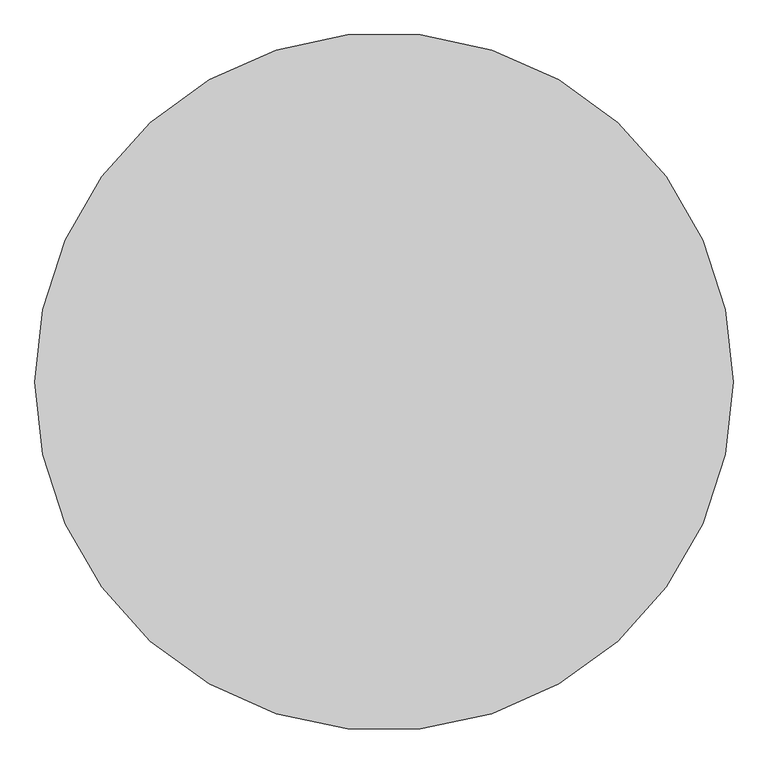
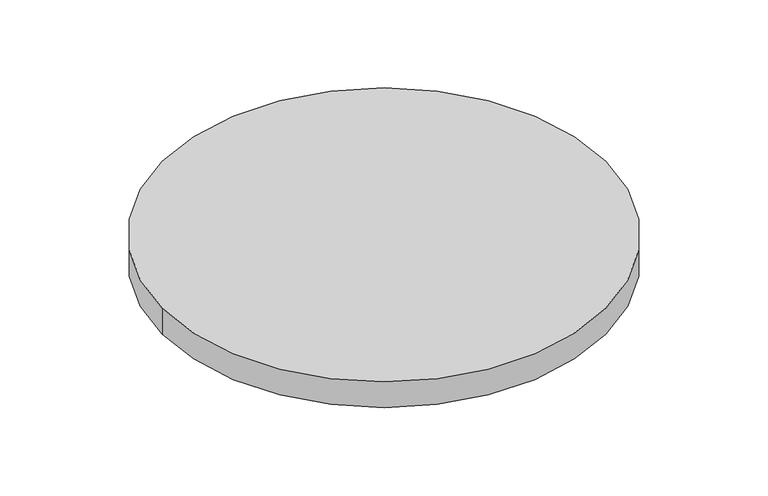
"""IFC4 building model written with IfcOpenShell, lengths in millimetres: proxy geometry."""

from ifc_helpers import new_model, si_unit, point, frame_2d, origin, origin_with_axes, place, context, project, spatial, circle_curve, trimmed, segment, composite_curve, outline, extrude, source, transform, mapped, element, save


def generic_models_cbb0d283(model_context):
    return source(origin(), model_context, "Body", "SweptSolid", [
        extrude(outline(composite_curve([segment(trimmed(circle_curve(frame_2d((302578.64399, 189042.1903095)), 32451.7414879), [point((270126.9025021, 189042.1903095))], [point((335030.3854778, 189042.1903095))], False, "CARTESIAN"), True, "CONTINUOUS"), segment(trimmed(circle_curve(frame_2d((302578.64399, 189042.1903095)), 32451.7414879), [point((335030.3854778, 189042.1903095))], [point((270126.9025021, 189042.1903095))], False, "CARTESIAN"), True, "CONTINUOUS")], self_intersect=False)), origin_with_axes(), (0.0, 0.0, 1.0), 4000.0),
    ])


if __name__ == "__main__":
    model = new_model("IFC4")
    model_context = context("Model", 3, world=origin())
    ifc_project = project(units=[si_unit("LENGTHUNIT", "METRE", prefix="MILLI")], contexts=[model_context])
    site = spatial("IfcSite", under=ifc_project)
    building = spatial("IfcBuilding", under=site)
    placement = place(None, origin())
    generic_models_shape = generic_models_cbb0d283(model_context)
    element("IfcBuildingElementProxy", 1, Name="Generic Models", at=placement, inside=building, context=model_context, shape_type="MappedRepresentation", body=[
        mapped(generic_models_shape, transform((0.0, 0.0, 0.0), x_axis=(1.0, 0.0, 0.0), y_axis=(0.0, 1.0, 0.0), z_axis=(0.0, 0.0, 1.0))),
    ])
    save(model, "model.ifc")
